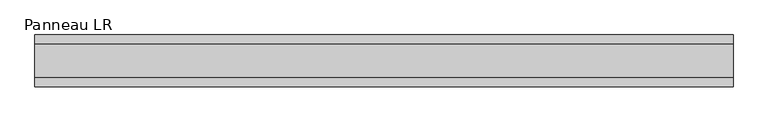
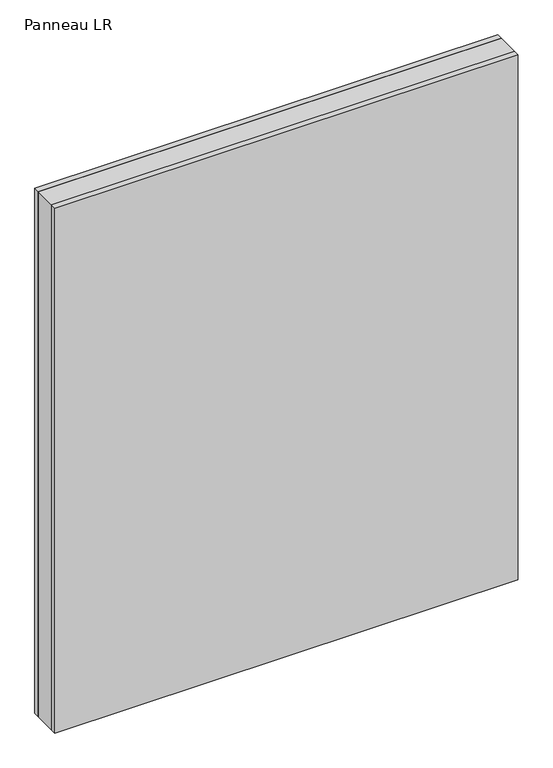
"""IFC4 building model written with IfcOpenShell, lengths in millimetres: plate geometry, Panneau LR."""

from ifc_helpers import new_model, si_unit, origin, origin_with_axes, place, context, project, spatial, polyline, outline, extrude, source, transform, mapped, element, save


def panneau_lr_974ad747(model_context):
    return source(origin(), model_context, "Body", "SweptSolid", [
        extrude(outline(polyline([(606.6874999, 29.0), (606.6874999, -29.0), (-606.6874999, -29.0), (-606.6874999, 29.0), (606.6874999, 29.0)])), origin_with_axes(), (0.0, 0.0, 1.0), 1453.5),
        extrude(outline(polyline([(606.6874999, 45.0), (606.6874999, 29.0), (-606.6874999, 29.0), (-606.6874999, 45.0), (606.6874999, 45.0)])), origin_with_axes(), (0.0, 0.0, 1.0), 1453.5),
        extrude(outline(polyline([(-606.6874999, -45.0), (-606.6874999, -29.0), (606.6874999, -29.0), (606.6874999, -45.0), (-606.6874999, -45.0)])), origin_with_axes(), (0.0, 0.0, 1.0), 1453.5),
    ])


if __name__ == "__main__":
    model = new_model("IFC4")
    model_context = context("Model", 3, world=origin())
    ifc_project = project(units=[si_unit("LENGTHUNIT", "METRE", prefix="MILLI")], contexts=[model_context])
    site = spatial("IfcSite", under=ifc_project)
    building = spatial("IfcBuilding", under=site)
    placement = place(None, origin())
    panneau_lr_shape = panneau_lr_974ad747(model_context)
    element("IfcPlate", 1, ObjectType="Panneau LR", at=placement, inside=building, context=model_context, shape_type="MappedRepresentation", body=[
        mapped(panneau_lr_shape, transform((0.0, 0.0, 0.0), x_axis=(1.0, 0.0, 0.0), y_axis=(0.0, 1.0, 0.0), z_axis=(0.0, 0.0, 1.0))),
    ])
    save(model, "model.ifc")
